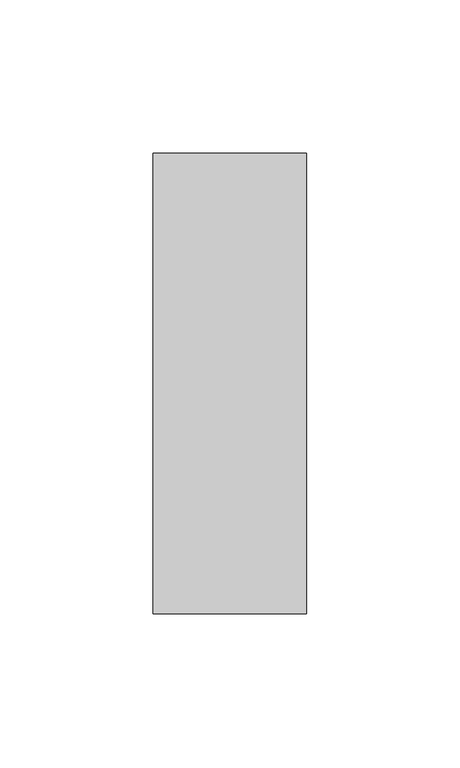
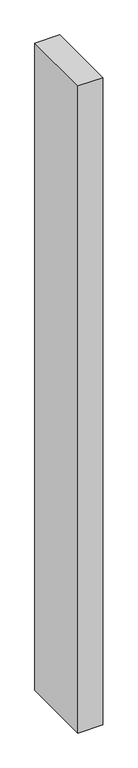
"""IFC4 building model written with IfcOpenShell, lengths in millimetres: member geometry."""

import ifcopenshell
import ifcopenshell.guid

model = None  # the IFC model being written
_history = None  # IfcOwnerHistory: only IFC2X3 demands one
_inside = {}  # id of a spatial element -> (the spatial element, [elements in it])
_under = {}  # id of a project, library or spatial element -> (it, [spatial elements below it])
_declared = {}  # id of a project -> (the project, [libraries it declares])
_typed = {}  # id of a type object -> (the type object, [elements of that type])
_made_of = {}  # id of a material, layer set ... -> (it, [elements and type objects made of it])


def new_model(schema):
    """Start an empty IFC model of exactly this schema.

    Asked for "IFC4X3", IfcOpenShell would pick the latest addendum, in which some entities
    have other attributes; the version numbers below select the first issue.
    IFC2X3 requires an IfcOwnerHistory on every rooted entity: one is made here for all.
    """
    global model, _history
    if schema == "IFC4X3":
        model = ifcopenshell.file(schema_version=(4, 3, 0, 0))
    else:
        model = ifcopenshell.file(schema=schema)
    _inside.clear()
    _under.clear()
    _declared.clear()
    _typed.clear()
    _made_of.clear()
    _history = None
    if model.schema == "IFC2X3":
        org = make("IfcOrganization", Name="unknown")
        user = make(
            "IfcPersonAndOrganization",
            ThePerson=make("IfcPerson", FamilyName="unknown"),
            TheOrganization=org,
        )
        app = make(
            "IfcApplication",
            ApplicationDeveloper=org,
            Version="unknown",
            ApplicationFullName="unknown",
            ApplicationIdentifier="unknown",
        )
        _history = make(
            "IfcOwnerHistory",
            OwningUser=user,
            OwningApplication=app,
            ChangeAction="ADDED",
            CreationDate=0,
        )
    return model


def make(cls, **values):
    """One entity of the class cls with the attributes given. An attribute that is None is left unset."""
    return model.create_entity(
        cls, **{name: value for name, value in values.items() if value is not None}
    )


def rooted(cls, **values):
    """An entity with a GlobalId (a new one), such as an element, a storey or a relation."""
    return make(cls, GlobalId=ifcopenshell.guid.new(), OwnerHistory=_history, **values)


def si_unit(unit_type, name, prefix=None):
    """IfcSIUnit, for example si_unit("LENGTHUNIT", "METRE", prefix="MILLI")."""
    return make("IfcSIUnit", UnitType=unit_type, Prefix=prefix, Name=name)


def assignment(units):
    """IfcUnitAssignment: the units of a project."""
    return None if units is None else make("IfcUnitAssignment", Units=units)


def point(xyz):
    """IfcCartesianPoint."""
    return None if xyz is None else make("IfcCartesianPoint", Coordinates=xyz)


def direction(xyz):
    """IfcDirection."""
    return None if xyz is None else make("IfcDirection", DirectionRatios=xyz)


def frame(location, z_axis=None, x_axis=None):
    """IfcAxis2Placement3D, a coordinate frame: its origin and axes. An axis left out is left unset."""
    return make(
        "IfcAxis2Placement3D",
        Location=point(location),
        Axis=direction(z_axis),
        RefDirection=direction(x_axis),
    )


def origin():
    """The frame at (0, 0, 0) with its axes left unset."""
    return frame((0.0, 0.0, 0.0))


def place(relative_to, where):
    """IfcLocalPlacement: puts the frame where relative to a parent placement (None: the world)."""
    return make(
        "IfcLocalPlacement", PlacementRelTo=relative_to, RelativePlacement=where
    )


def context(
    kind, dimensions, precision=None, world=None, true_north=None, identifier=None
):
    """IfcGeometricRepresentationContext, for example the 3D "Model" context."""
    return make(
        "IfcGeometricRepresentationContext",
        ContextIdentifier=identifier,
        ContextType=kind,
        CoordinateSpaceDimension=dimensions,
        Precision=precision,
        WorldCoordinateSystem=world,
        TrueNorth=true_north,
    )


def project(units=None, contexts=None):
    """IfcProject with its units and contexts."""
    return rooted(
        "IfcProject",
        Name="project",
        RepresentationContexts=contexts,
        UnitsInContext=assignment(units),
    )


def spatial(cls, under=None, at=None, **own):
    """A site, building, storey or space (cls), placed at a placement, below another one or the project."""
    s = rooted(cls, ObjectPlacement=at, **own)
    if under is not None:
        _under.setdefault(under.id(), (under, []))[1].append(s)
    return s


def polyline(points):
    """IfcPolyline through the points."""
    return make("IfcPolyline", Points=[point(p) for p in points])


def outline(outer, holes=None, kind="AREA"):
    """IfcArbitraryClosedProfileDef: a profile drawn as a closed curve; with holes, ...WithVoids."""
    if holes is None:
        return make("IfcArbitraryClosedProfileDef", ProfileType=kind, OuterCurve=outer)
    return make(
        "IfcArbitraryProfileDefWithVoids",
        ProfileType=kind,
        OuterCurve=outer,
        InnerCurves=holes,
    )


def extrude(swept, where, along, depth):
    """IfcExtrudedAreaSolid: the profile swept, set in the frame where, extruded along a direction by depth."""
    return make(
        "IfcExtrudedAreaSolid",
        SweptArea=swept,
        Position=where,
        ExtrudedDirection=direction(along),
        Depth=depth,
    )


def shape(context_of_items, identifier, shape_type, items):
    """IfcShapeRepresentation: the items that make up one representation, for example the "Body"."""
    return make(
        "IfcShapeRepresentation",
        ContextOfItems=context_of_items,
        RepresentationIdentifier=identifier,
        RepresentationType=shape_type,
        Items=items,
    )


def source(mapping_origin, context_of_items, identifier, shape_type, items):
    """IfcRepresentationMap: a shape defined once, which mapped items show again and again."""
    return make(
        "IfcRepresentationMap",
        MappingOrigin=mapping_origin,
        MappedRepresentation=shape(context_of_items, identifier, shape_type, items),
    )


def transform(
    local_origin,
    x_axis=None,
    y_axis=None,
    z_axis=None,
    scale=None,
    scale2=None,
    scale3=None,
    uniform=True,
):
    """IfcCartesianTransformationOperator3D, or its non-uniform kind. x_axis, y_axis, z_axis: its Axis1, 2, 3."""
    if uniform:
        return make(
            "IfcCartesianTransformationOperator3D",
            Axis1=direction(x_axis),
            Axis2=direction(y_axis),
            LocalOrigin=point(local_origin),
            Scale=scale,
            Axis3=direction(z_axis),
        )
    return make(
        "IfcCartesianTransformationOperator3DnonUniform",
        Axis1=direction(x_axis),
        Axis2=direction(y_axis),
        LocalOrigin=point(local_origin),
        Scale=scale,
        Axis3=direction(z_axis),
        Scale2=scale2,
        Scale3=scale3,
    )


def mapped(mapping_source, mapping_target):
    """IfcMappedItem: shows the shape of a source again, moved by a transform."""
    return make(
        "IfcMappedItem", MappingSource=mapping_source, MappingTarget=mapping_target
    )


def made_of(thing, what):
    """Note that an element or type object is made of a material, layer set ...; save() writes the relation."""
    if what is not None:
        _made_of.setdefault(what.id(), (what, []))[1].append(thing)
    return thing


def element(
    cls,
    number,
    at=None,
    inside=None,
    cuts=None,
    type_object=None,
    material=None,
    context=None,
    identifier="Body",
    shape_type=None,
    held_by="IfcProductDefinitionShape",
    body=None,
    shapes=None,
    **own,
):
    """One element of the class cls, such as IfcWall. Its Tag is "e" and its number.

    at: its placement. inside: the storey or other place that contains it. cuts: it is an
    opening in that element (IfcRelVoidsElement). A single representation is given by context,
    identifier, shape_type and body (its items); several are given by shapes. held_by: the class
    of the entity that holds the representations. save() writes the other relations.
    """
    e = rooted(cls, Tag="e%d" % number, ObjectPlacement=at, **own)
    if body is not None:
        shapes = [shape(context, identifier, shape_type, body)]
    if shapes is not None:
        e.Representation = make(held_by, Representations=shapes)
    if inside is not None:
        _inside.setdefault(inside.id(), (inside, []))[1].append(e)
    if cuts is not None:
        rooted(
            "IfcRelVoidsElement", RelatingBuildingElement=cuts, RelatedOpeningElement=e
        )
    if type_object is not None:
        _typed.setdefault(type_object.id(), (type_object, []))[1].append(e)
    return made_of(e, material)


def aggregate(whole, parts):
    """IfcRelAggregates: a whole, such as a stair, and the parts it consists of."""
    return rooted("IfcRelAggregates", RelatingObject=whole, RelatedObjects=parts)


def save(model, path):
    """Write the relations noted so far, then the file.

    IfcRelAggregates (storeys below a building ...), IfcRelContainedInSpatialStructure (elements
    in a storey), IfcRelDefinesByType, IfcRelAssociatesMaterial and IfcRelDeclares: one each for
    every whole, place, type object, material and project.
    """
    for whole, parts in _under.values():
        aggregate(whole, parts)
    for where, things in _inside.values():
        rooted(
            "IfcRelContainedInSpatialStructure",
            RelatedElements=things,
            RelatingStructure=where,
        )
    for kind, things in _typed.values():
        rooted("IfcRelDefinesByType", RelatedObjects=things, RelatingType=kind)
    for what, things in _made_of.values():
        rooted("IfcRelAssociatesMaterial", RelatedObjects=things, RelatingMaterial=what)
    for by, libraries in _declared.values():
        rooted("IfcRelDeclares", RelatingContext=by, RelatedDefinitions=libraries)
    model.write(path)


def member_bdea3084(model_context):
    return source(origin(), model_context, "Body", "SweptSolid", [
        extrude(outline(polyline([(25.0, 75.0), (25.0, -75.0), (-25.0, -75.0), (-25.0, 75.0), (25.0, 75.0)])), frame((0.0, 0.0, -1380.0), z_axis=(0.0, 0.0, 1.0), x_axis=(1.0, 0.0, 0.0)), (0.0, 0.0, 1.0), 1380.0),
    ])


if __name__ == "__main__":
    model = new_model("IFC4")
    model_context = context("Model", 3, world=origin())
    ifc_project = project(units=[si_unit("LENGTHUNIT", "METRE", prefix="MILLI")], contexts=[model_context])
    site = spatial("IfcSite", under=ifc_project)
    building = spatial("IfcBuilding", under=site)
    placement = place(None, origin())
    member_shape = member_bdea3084(model_context)
    element("IfcMember", 1, at=placement, inside=building, context=model_context, shape_type="MappedRepresentation", body=[
        mapped(member_shape, transform((0.0, 0.0, 0.0), x_axis=(1.0, 0.0, 0.0), y_axis=(0.0, 1.0, 0.0), z_axis=(0.0, 0.0, 1.0))),
    ])
    save(model, "model.ifc")
